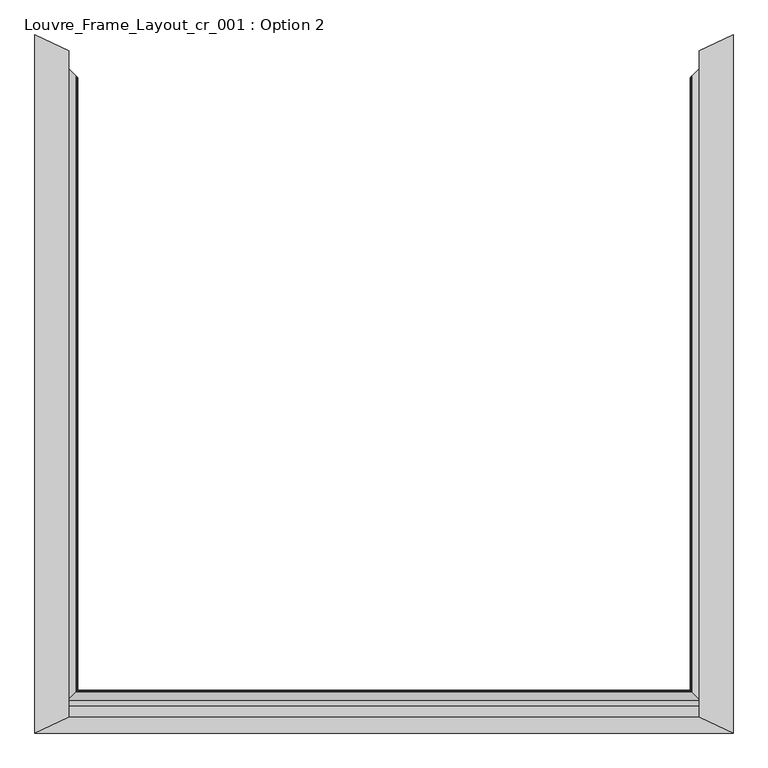
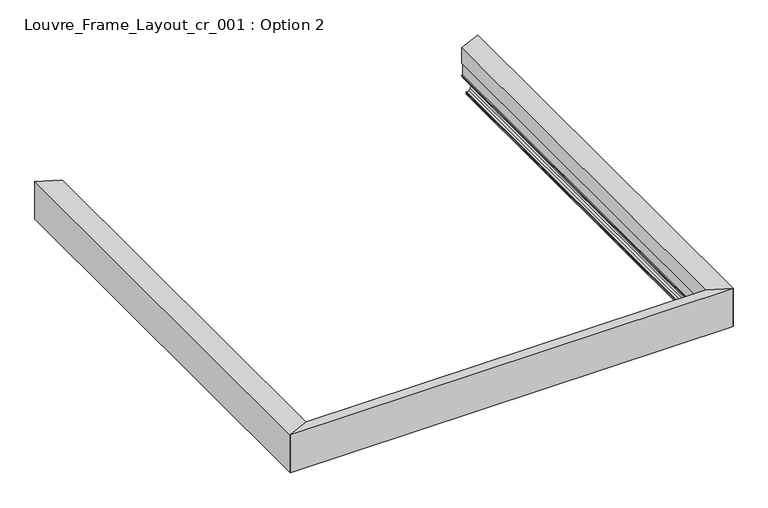
"""IFC4 building model written with IfcOpenShell, lengths in millimetres: proxy geometry, Louvre_Frame_Layout_cr_001 : Option 2."""

from ifc_helpers import new_model, si_unit, frame, origin, place, context, project, spatial, polyline, ellipse_curve, source, transform, mapped, element, save
from ifc_brep_helpers import plane_surface, cylinder_surface, revolved_surface, advanced_brep


def louvre_frame_layout_cr_001_option_2_b5c56db8(model_context):
    return source(origin(), model_context, "Body", "AdvancedBrep", [
        advanced_brep(
        [(3500.0, -1860.0, 40.0285881), (3354.7049082, -1714.7471297, 40.0285881), (3357.499356, -1717.5407655, 38.8575344), (3435.6421077, -1795.6608096, 38.8575344), (3437.2798539, -1797.2980799, 37.2197882), (3437.2798539, -1797.2980799, 30.0771301), (3448.0054103, -1808.0205195, 30.0771301), (3448.0054103, -1808.0205195, 7.0067374), (3443.0005687, -1803.0171323, 2.0018958), (3364.8199959, -1724.8592781, 2.0018958), (3336.794989, -1696.842415, 7.4266447), (3291.7291256, -1651.7896474, 25.5580129), (3291.7291256, -1651.7896474, 39.3616238), (3291.0621612, -1651.1228768, 40.0285881), (3285.4888339, -1645.5511691, 40.0285881), (3284.8218695, -1644.8843985, 39.3616238), (3284.8218695, -1644.8843985, 26.5150991), (3285.3886853, -1645.4510496, 25.9589183), (3349.8942843, -1709.9379038, 0.0), (3500.0, -1860.0, 0.0), (3500.0, -1860.0, 36.793065), (3354.7049082, 1494.7471297, 40.0285881), (3500.0, 1640.0, 40.0285881), (3500.0, 1640.0, 36.793065), (3500.0, 1640.0, 0.0), (3349.8942843, 1489.9379038, 0.0), (3285.3886853, 1425.4510496, 25.9589183), (3284.8218695, 1424.8843985, 26.5150991), (3284.8218695, 1424.8843985, 39.3616238), (3285.4888339, 1425.5511691, 40.0285881), (3291.0621612, 1431.1228768, 40.0285881), (3291.7291256, 1431.7896474, 39.3616238), (3291.7291256, 1431.7896474, 25.5580129), (3336.794989, 1476.842415, 7.4266447), (3364.8199959, 1504.8592781, 2.0018958), (3443.0005687, 1583.0171323, 2.0018958), (3448.0054103, 1588.0205195, 7.0067374), (3448.0054103, 1588.0205195, 30.0771301), (3437.2798539, 1577.2980799, 30.0771301), (3437.2798539, 1577.2980799, 37.2197882), (3435.6421077, 1575.6608096, 38.8575344), (3357.499356, 1497.5407655, 38.8575344), (3330.2950263, 1560.0512704, 186.2985422), (3330.2950263, 1560.0512704, 315.1230176), (3500.0, 1640.0, 315.1230176), (3354.7049082, 1571.5508688, 40.0285881), (3352.0673551, 1570.3083064, 42.7736155), (3330.3018549, 1560.0544873, 79.2796958), (3330.3018549, 1560.0544873, 88.3970766), (3336.7193678, 1563.0778048, 88.3970766), (3336.7193678, 1563.0778048, 186.2985422), (3354.7049082, -1791.5508688, 40.0285881), (3330.2950263, -1780.0512704, 186.2985422), (3330.2950263, -1780.0512704, 315.1230176), (3336.7193678, -1783.0778048, 186.2985422), (3336.7193678, -1783.0778048, 88.3970766), (3330.3018549, -1780.0544873, 88.3970766), (3330.3018549, -1780.0544873, 79.2796958), (3352.0673551, -1790.3083064, 42.7736155), (3500.0, -1860.0, 315.1230176)],
        [
            (0, 1),
            (1, 2, ellipse_curve(frame((3359.3065931, -1719.3474774, 47.0897633), z_axis=(-0.70700401906678, -0.7072095283743144, 0.0), x_axis=(0.7072095283743143, -0.70700401906678, 0.0)), 11.917639, 8.4282679)),
            (2, 3),
            (3, 4, ellipse_curve(frame((3435.6421077, -1795.6608096, 37.2197882), z_axis=(0.70700401906678, 0.7072095283743144, 0.0), x_axis=(-0.7072095283743143, 0.70700401906678, 0.0)), 2.3157864, 1.6377462)),
            (4, 5),
            (5, 6),
            (6, 7),
            (7, 8, ellipse_curve(frame((3443.0005687, -1803.0171323, 7.0067374), z_axis=(0.70700401906678, 0.7072095283743144, 0.0), x_axis=(-0.7072095283743143, 0.70700401906678, 0.0)), 7.0768866, 5.0048416)),
            (8, 9),
            (9, 10, ellipse_curve(frame((3364.8119854, -1724.85127, 77.0634267), z_axis=(0.70700401906678, 0.7072095283743144, 0.0), x_axis=(-0.7072095283743143, 0.70700401906678, 0.0)), 106.1376132, 75.0615314)),
            (10, 11),
            (11, 12),
            (12, 13, ellipse_curve(frame((3291.0621612, -1651.1228768, 39.3616238), z_axis=(-0.70700401906678, -0.7072095283743144, 0.0), x_axis=(0.7072095283743143, -0.70700401906678, 0.0)), 0.943093, 0.6669644)),
            (13, 14),
            (14, 15, ellipse_curve(frame((3285.4888339, -1645.5511691, 39.3616238), z_axis=(-0.70700401906678, -0.7072095283743144, 0.0), x_axis=(0.7072095283743143, -0.70700401906678, 0.0)), 0.943093, 0.6669644)),
            (15, 16),
            (16, 17, ellipse_curve(frame((3285.7754513, -1645.8377032, 26.9199973), z_axis=(-0.70700401906678, -0.7072095283743144, 0.0), x_axis=(0.7072095283743143, -0.70700401906678, 0.0)), 1.4648884, 1.035983)),
            (17, 18),
            (18, 19),
            (19, 20),
            (20, 0),
            (21, 22),
            (22, 23),
            (23, 24),
            (24, 25),
            (25, 26),
            (26, 27, ellipse_curve(frame((3285.7754513, 1425.8377032, 26.9199973), z_axis=(-0.7070040190647345, 0.7072095283763594, 0.0), x_axis=(-0.7072095283763595, -0.7070040190647343, 0.0)), 1.4648884, 1.035983)),
            (27, 28),
            (28, 29, ellipse_curve(frame((3285.4888339, 1425.5511691, 39.3616238), z_axis=(-0.7070040190647345, 0.7072095283763594, 0.0), x_axis=(-0.7072095283763595, -0.7070040190647343, 0.0)), 0.943093, 0.6669644)),
            (29, 30),
            (30, 31, ellipse_curve(frame((3291.0621612, 1431.1228768, 39.3616238), z_axis=(-0.7070040190647345, 0.7072095283763594, 0.0), x_axis=(-0.7072095283763595, -0.7070040190647343, 0.0)), 0.943093, 0.6669644)),
            (31, 32),
            (32, 33),
            (33, 34, ellipse_curve(frame((3364.8119854, 1504.85127, 77.0634267), z_axis=(0.7070040190647345, -0.7072095283763594, 0.0), x_axis=(0.7072095283763595, 0.7070040190647343, 0.0)), 106.1376132, 75.0615314)),
            (34, 35),
            (35, 36, ellipse_curve(frame((3443.0005687, 1583.0171323, 7.0067374), z_axis=(0.7070040190647345, -0.7072095283763594, 0.0), x_axis=(0.7072095283763595, 0.7070040190647343, 0.0)), 7.0768866, 5.0048416)),
            (36, 37),
            (37, 38),
            (38, 39),
            (39, 40, ellipse_curve(frame((3435.6421077, 1575.6608096, 37.2197882), z_axis=(0.7070040190647345, -0.7072095283763594, 0.0), x_axis=(0.7072095283763595, 0.7070040190647343, 0.0)), 2.3157864, 1.6377462)),
            (40, 41),
            (41, 21, ellipse_curve(frame((3359.3065931, 1499.3474775, 47.0897633), z_axis=(-0.7070040190647345, 0.7072095283763594, 0.0), x_axis=(-0.7072095283763595, -0.7070040190647343, 0.0)), 11.917639, 8.4282679)),
            (42, 43),
            (43, 44),
            (44, 22),
            (22, 45),
            (45, 46, ellipse_curve(frame((3359.3065931, 1573.718742, 47.0897633), z_axis=(-0.4261791510910806, 0.9046387849165467, 0.0), x_axis=(-0.9046387849165468, -0.42617915109108023, 0.0)), 9.3167218, 8.4282679)),
            (46, 47),
            (47, 48),
            (48, 49),
            (49, 50),
            (50, 42),
            (0, 51),
            (51, 1),
            (21, 45),
            (42, 52),
            (52, 53),
            (53, 43),
            (50, 54),
            (54, 52),
            (49, 55),
            (55, 54),
            (48, 56),
            (56, 55),
            (47, 57),
            (57, 56),
            (46, 58),
            (58, 57),
            (51, 58, ellipse_curve(frame((3359.3065931, -1793.718742, 47.0897633), z_axis=(0.42617915109110965, 0.9046387849165329, 0.0), x_axis=(0.9046387849165329, -0.4261791510911096, 0.0)), 9.3167218, 8.4282679)),
            (41, 2),
            (40, 3),
            (39, 4),
            (38, 5),
            (37, 6),
            (36, 7),
            (35, 8),
            (34, 9),
            (33, 10),
            (32, 11),
            (31, 12),
            (30, 13),
            (29, 14),
            (28, 15),
            (27, 16),
            (26, 17),
            (25, 18),
            (24, 19),
            (44, 59),
            (59, 0),
            (53, 59),
        ],
        [
            plane_surface(frame((3500.0, -1860.0, 40.0285881), z_axis=(-0.70700401906678, -0.7072095283743144, 0.0), x_axis=(0.0, 0.0, -1.0))),
            plane_surface(frame((3241.9060249, 1381.9810249, 40.0285881), z_axis=(-0.7070040190647345, 0.7072095283763594, 0.0), x_axis=(0.0, 0.0, -1.0))),
            plane_surface(frame((3330.2950263, 1560.0512704, 355.5911694), z_axis=(-0.4261791510910806, 0.9046387849165467, 0.0), x_axis=(0.0, 0.0, -1.0))),
            plane_surface(frame((3241.9060249, -1601.9810249, 40.0285881), z_axis=(0.0, 0.0, -1.0), x_axis=(0.0, -1.0, 0.0))),
            plane_surface(frame((3500.0, 1640.0, 40.0285881), z_axis=(0.0, 0.0, -1.0000000000000002), x_axis=(0.7072095283763594, 0.7070040190647345, 0.0))),
            plane_surface(frame((3330.2950263, -1860.0, 315.1230176), z_axis=(-1.0, 0.0, 0.0), x_axis=(0.0, 1.0, 0.0))),
            plane_surface(frame((3330.2950263, -1860.0, 186.2985422), z_axis=(0.0, 0.0, -1.0), x_axis=(0.0, 1.0, 0.0))),
            plane_surface(frame((3336.7193678, -1860.0, 186.2985422), z_axis=(-1.0, 0.0, 0.0), x_axis=(0.0, 1.0, 0.0))),
            plane_surface(frame((3336.7193678, -1860.0, 88.3970766), z_axis=(0.0, 0.0, 1.0), x_axis=(0.0, 1.0, 0.0))),
            plane_surface(frame((3330.3018549, -1860.0, 88.3970766), z_axis=(-1.0, 0.0, 0.0), x_axis=(0.0, 1.0, 0.0))),
            plane_surface(frame((3330.3018549, -1860.0, 79.2796958), z_axis=(-0.8589235852565517, 0.0, -0.5121037733604697), x_axis=(0.0, 1.0, 0.0))),
            cylinder_surface(frame((3359.3065931, -1860.0, 47.0897633), z_axis=(0.0, -1.0, 0.0), x_axis=(-1.0, 0.0, 0.0)), 8.4282679),
            plane_surface(frame((3357.499356, -1860.0, 38.8575344), z_axis=(0.0, 0.0, -1.0), x_axis=(0.0, 1.0, 0.0))),
            revolved_surface(polyline([(3434.0043615, 1577.2980798999997, 37.2197882), (3434.0043615, -1797.2980799, 37.2197882)]), (3435.6421077, -1860.0, 37.2197882), (0.0, 1.0, 0.0)),
            plane_surface(frame((3437.2798539, -1860.0, 37.2197882), z_axis=(-1.0, 0.0, 0.0), x_axis=(0.0, 1.0, 0.0))),
            plane_surface(frame((3437.2798539, -1860.0, 30.0771301), z_axis=(0.0, 0.0, -1.0), x_axis=(0.0, 1.0, 0.0))),
            plane_surface(frame((3448.0054103, -1860.0, 30.0771301), z_axis=(-1.0, 0.0, 0.0), x_axis=(0.0, 1.0, 0.0))),
            revolved_surface(polyline([(3437.9957271, 1588.0205195686653, 7.0067374), (3437.9957271, -1808.02051956868, 7.0067374)]), (3443.0005687, -1860.0, 7.0067374), (0.0, 1.0, 0.0)),
            plane_surface(frame((3443.0005687, -1860.0, 2.0018958), z_axis=(0.0, 0.0, 1.0), x_axis=(0.0, 1.0, 0.0))),
            revolved_surface(polyline([(3289.750454, 1579.890989106338, 77.0634267), (3289.750454, -1799.8909891065555, 77.0634267)]), (3364.8119854, -1860.0, 77.0634267), (0.0, 1.0, 0.0)),
            plane_surface(frame((3336.794989, -1860.0, 7.4266447), z_axis=(0.37325372835204107, 0.0, 0.9277293001039154), x_axis=(0.0, 1.0, 0.0))),
            plane_surface(frame((3291.7291256, -1860.0, 25.5580129), z_axis=(1.0, 0.0, 0.0), x_axis=(0.0, 1.0, 0.0))),
            cylinder_surface(frame((3291.0621612, -1860.0, 39.3616238), z_axis=(0.0, -1.0, 0.0), x_axis=(-1.0, 0.0, 0.0)), 0.6669644),
            plane_surface(frame((3291.0621612, -1860.0, 40.0285881), z_axis=(0.0, 0.0, 1.0), x_axis=(0.0, 1.0, 0.0))),
            cylinder_surface(frame((3285.4888339, -1860.0, 39.3616238), z_axis=(0.0, -1.0, 0.0), x_axis=(1.0, 0.0, 0.0)), 0.6669644),
            plane_surface(frame((3284.8218695, -1860.0, 39.3616238), z_axis=(-1.0, 0.0, 0.0), x_axis=(0.0, 1.0, 0.0))),
            cylinder_surface(frame((3285.7754513, -1860.0, 26.9199973), z_axis=(0.0, -1.0, 0.0), x_axis=(-1.0, 0.0, 0.0)), 1.035983),
            plane_surface(frame((3285.3886853, -1860.0, 25.9589183), z_axis=(-0.3733323631651337, 0.0, -0.9276976590536039), x_axis=(0.0, 1.0, 0.0))),
            plane_surface(frame((3349.8942843, -1860.0, 0.0), z_axis=(0.0, 0.0, -1.0), x_axis=(0.0, 1.0, 0.0))),
            plane_surface(frame((3500.0, -1860.0, 0.0), z_axis=(1.0, 0.0, 0.0), x_axis=(0.0, 1.0, 0.0))),
            plane_surface(frame((3500.0, -1860.0, 315.1230176), z_axis=(0.0, 0.0, 1.0), x_axis=(0.0, 1.0, 0.0))),
            plane_surface(frame((3500.0, -1860.0, 355.5911694), z_axis=(-0.42617915109110965, -0.9046387849165329, 0.0), x_axis=(0.0, 0.0, -1.0))),
        ],
        [
            (0, [[1, 2, 3, 4, 5, 6, 7, 8, 9, 10, 11, 12, 13, 14, 15, 16, 17, 18, 19, 20, 21]]),
            (1, [[22, 23, 24, 25, 26, 27, 28, 29, 30, 31, 32, 33, 34, 35, 36, 37, 38, 39, 40, 41, 42]]),
            (2, [[43, 44, 45, 46, 47, 48, 49, 50, 51, 52]]),
            (3, [[-1, 53, 54]]),
            (4, [[-22, 55, -46]]),
            (5, [[-43, 56, 57, 58]]),
            (6, [[-52, 59, 60, -56]]),
            (7, [[-51, 61, 62, -59]]),
            (8, [[-50, 63, 64, -61]]),
            (9, [[-49, 65, 66, -63]]),
            (10, [[-48, 67, 68, -65]]),
            (11, [[-2, -54, 69, -67, -47, -55, -42, 70]]),
            (12, [[-3, -70, -41, 71]]),
            (13, [[-4, -71, -40, 72]]),
            (14, [[-5, -72, -39, 73]]),
            (15, [[-6, -73, -38, 74]]),
            (16, [[-7, -74, -37, 75]]),
            (17, [[-8, -75, -36, 76]]),
            (18, [[-9, -76, -35, 77]]),
            (19, [[-10, -77, -34, 78]]),
            (20, [[-11, -78, -33, 79]]),
            (21, [[-12, -79, -32, 80]]),
            (22, [[-13, -80, -31, 81]]),
            (23, [[-14, -81, -30, 82]]),
            (24, [[-15, -82, -29, 83]]),
            (25, [[-16, -83, -28, 84]]),
            (26, [[-17, -84, -27, 85]]),
            (27, [[-18, -85, -26, 86]]),
            (28, [[87, -19, -86, -25]]),
            (29, [[-87, -24, -23, -45, 88, 89, -21, -20]]),
            (30, [[-88, -44, -58, 90]]),
            (31, [[-57, -60, -62, -64, -66, -68, -69, -53, -89, -90]]),
        ],
    ),
        advanced_brep(
        [(57.3003291, -1802.6996709, 38.7959832), (55.2974109, -1804.7025891, 36.793065), (52.5783381, -1807.4216619, 36.793065), (51.9945897, -1808.0054103, 36.2093165), (51.9945897, -1808.0054103, 7.0067374), (56.9994313, -1803.0005687, 2.0018958), (135.1800041, -1724.8199959, 2.0018958), (163.205011, -1696.794989, 7.4266447), (208.2708744, -1651.7291256, 25.5580129), (208.2708744, -1651.7291256, 39.3616238), (208.9378388, -1651.0621612, 40.0285881), (214.5111661, -1645.4888339, 40.0285881), (215.1781305, -1644.8218695, 39.3616238), (215.1781305, -1644.8218695, 26.1870213), (150.1057157, -1709.8942843, 0.0), (0.0, -1860.0, 0.0), (0.0, -1860.0, 38.8575344), (3444.7025891, -1804.7025891, 36.793065), (3442.6996709, -1802.6996709, 38.7959832), (3500.0, -1860.0, 38.8575344), (3500.0, -1860.0, 0.0), (3349.8942843, -1709.8942843, 0.0), (3284.8218695, -1644.8218695, 26.1870213), (3284.8218695, -1644.8218695, 39.3616238), (3285.4888339, -1645.4888339, 40.0285881), (3291.0621612, -1651.0621612, 40.0285881), (3291.7291256, -1651.7291256, 39.3616238), (3291.7291256, -1651.7291256, 25.5580129), (3336.794989, -1696.794989, 7.4266447), (3364.8199959, -1724.8199959, 2.0018958), (3443.0005687, -1803.0005687, 2.0018958), (3448.0054103, -1808.0054103, 7.0067374), (3448.0054103, -1808.0054103, 36.2093165), (3447.4216619, -1807.4216619, 36.793065), (3330.2950263, -1780.0512704, 316.6276048), (3330.2950263, -1780.0512704, 186.7535382), (169.7049737, -1780.0512704, 186.7535382), (169.7049737, -1780.0512704, 316.6276048), (3389.6325118, -1808.0054103, 186.7535382), (110.3674882, -1808.0054103, 186.7535382), (3389.6325118, -1808.0054103, 66.9467725), (110.3674882, -1808.0054103, 66.9467725), (3388.3114217, -1807.3830392, 66.3244014), (111.6885783, -1807.3830392, 66.3244014), (3382.6221378, -1804.7027935, 66.3244014), (117.3778622, -1804.7027935, 66.3244014), (3378.3701643, -1802.6996709, 64.3212787), (121.6298357, -1802.6996709, 64.3212787), (3378.3701643, -1802.6996709, 38.7959832), (121.6298357, -1802.6996709, 38.7959832), (3500.0, -1860.0, 40.0285881), (3500.0, -1860.0, 316.6276048), (0.0, -1860.0, 316.6276048), (0.0, -1860.0, 40.0285881)],
        [
            (0, 1, ellipse_curve(frame((55.2974109, -1804.7025891, 38.7959832), z_axis=(-0.7071067811864462, 0.7071067811866489, 0.0), x_axis=(-0.7071067811866488, -0.7071067811864462, 0.0)), 2.832554, 2.0029182)),
            (1, 2),
            (2, 3, ellipse_curve(frame((52.5783381, -1807.4216619, 36.2093165), z_axis=(0.7071067811864462, -0.7071067811866489, 0.0), x_axis=(0.7071067811866488, 0.7071067811864462, 0.0)), 0.825545, 0.5837485)),
            (3, 4),
            (4, 5, ellipse_curve(frame((56.9994313, -1803.0005687, 7.0067374), z_axis=(0.7071067811864462, -0.7071067811866489, 0.0), x_axis=(0.7071067811866488, 0.7071067811864462, 0.0)), 7.0779149, 5.0048416)),
            (5, 6),
            (6, 7, ellipse_curve(frame((135.1880146, -1724.8119854, 77.0634267), z_axis=(0.7071067811864462, -0.7071067811866489, 0.0), x_axis=(0.7071067811866488, 0.7071067811864462, 0.0)), 106.1530357, 75.0615314)),
            (7, 8),
            (8, 9),
            (9, 10, ellipse_curve(frame((208.9378388, -1651.0621612, 39.3616238), z_axis=(-0.7071067811864462, 0.7071067811866489, 0.0), x_axis=(-0.7071067811866488, -0.7071067811864462, 0.0)), 0.94323, 0.6669644)),
            (10, 11),
            (11, 12, ellipse_curve(frame((214.5111661, -1645.4888339, 39.3616238), z_axis=(-0.7071067811864462, 0.7071067811866489, 0.0), x_axis=(-0.7071067811866488, -0.7071067811864462, 0.0)), 0.94323, 0.6669644)),
            (12, 13),
            (13, 14),
            (14, 15),
            (15, 16),
            (16, 0),
            (17, 18, ellipse_curve(frame((3444.7025891, -1804.7025891, 38.7959832), z_axis=(0.7071067811866589, 0.7071067811864362, 0.0), x_axis=(-0.7071067811864361, 0.707106781186659, 0.0)), 2.832554, 2.0029182)),
            (18, 19),
            (19, 20),
            (20, 21),
            (21, 22),
            (22, 23),
            (23, 24, ellipse_curve(frame((3285.4888339, -1645.4888339, 39.3616238), z_axis=(0.7071067811866589, 0.7071067811864362, 0.0), x_axis=(-0.7071067811864361, 0.707106781186659, 0.0)), 0.94323, 0.6669644)),
            (24, 25),
            (25, 26, ellipse_curve(frame((3291.0621612, -1651.0621612, 39.3616238), z_axis=(0.7071067811866589, 0.7071067811864362, 0.0), x_axis=(-0.7071067811864361, 0.707106781186659, 0.0)), 0.94323, 0.6669644)),
            (26, 27),
            (27, 28),
            (28, 29, ellipse_curve(frame((3364.8119854, -1724.8119854, 77.0634267), z_axis=(-0.7071067811866589, -0.7071067811864362, 0.0), x_axis=(0.7071067811864361, -0.707106781186659, 0.0)), 106.1530357, 75.0615314)),
            (29, 30),
            (30, 31, ellipse_curve(frame((3443.0005687, -1803.0005687, 7.0067374), z_axis=(-0.7071067811866589, -0.7071067811864362, 0.0), x_axis=(0.7071067811864361, -0.707106781186659, 0.0)), 7.0779149, 5.0048416)),
            (31, 32),
            (32, 33, ellipse_curve(frame((3447.4216619, -1807.4216619, 36.2093165), z_axis=(-0.7071067811866589, -0.7071067811864362, 0.0), x_axis=(0.7071067811864361, -0.707106781186659, 0.0)), 0.825545, 0.5837485)),
            (33, 17),
            (34, 35),
            (35, 36),
            (36, 37),
            (37, 34),
            (35, 38),
            (38, 39),
            (39, 36),
            (38, 40),
            (40, 41),
            (41, 39),
            (40, 42, ellipse_curve(frame((3388.3114217, -1807.3830392, 66.9467725), z_axis=(0.42617915109109655, 0.9046387849165392, 0.0), x_axis=(0.9046387849165392, -0.4261791510910966, 0.0)), 1.460351, 0.6223711)),
            (42, 43),
            (43, 41, ellipse_curve(frame((111.6885783, -1807.3830392, 66.9467725), z_axis=(-0.42617915109134613, 0.9046387849164216, 0.0), x_axis=(0.9046387849164216, 0.4261791510913462, 0.0)), 1.460351, 0.6223711)),
            (42, 44),
            (44, 45),
            (45, 43),
            (44, 46, ellipse_curve(frame((3382.6221378, -1804.7027935, 64.3212787), z_axis=(-0.42617915109109655, -0.9046387849165392, 0.0), x_axis=(-0.9046387849165392, 0.4261791510910966, 0.0)), 4.7001892, 2.0031227)),
            (46, 47),
            (47, 45, ellipse_curve(frame((117.3778622, -1804.7027935, 64.3212787), z_axis=(0.42617915109134613, -0.9046387849164216, 0.0), x_axis=(-0.9046387849164216, -0.4261791510913462, 0.0)), 4.7001892, 2.0031227)),
            (46, 48),
            (48, 49),
            (49, 47),
            (0, 49),
            (48, 18),
            (17, 1),
            (33, 2),
            (32, 3),
            (31, 4),
            (30, 5),
            (29, 6),
            (28, 7),
            (27, 8),
            (26, 9),
            (25, 10),
            (24, 11),
            (23, 12),
            (22, 13),
            (21, 14),
            (20, 15),
            (19, 50),
            (50, 51),
            (51, 52),
            (52, 53),
            (53, 16),
            (51, 34),
            (37, 52),
            (48, 19),
            (16, 49),
        ],
        [
            plane_surface(frame((0.0, -1860.0, 40.0285881), z_axis=(-0.7071067811864462, 0.7071067811866489, 0.0), x_axis=(0.0, 0.0, -1.0))),
            plane_surface(frame((3241.9060249, -1601.9060249, 40.0285881), z_axis=(0.7071067811866589, 0.7071067811864362, 0.0), x_axis=(0.0, 0.0, -1.0))),
            plane_surface(frame((0.0, -1780.0512704, 316.6276048), z_axis=(0.0, 1.0, 0.0), x_axis=(1.0, 0.0, 0.0))),
            plane_surface(frame((0.0, -1780.0512704, 186.7535382), z_axis=(0.0, 0.0, -1.0), x_axis=(1.0, 0.0, 0.0))),
            plane_surface(frame((0.0, -1808.0054103, 186.7535382), z_axis=(0.0, 1.0, 0.0), x_axis=(1.0, 0.0, 0.0))),
            revolved_surface(polyline([(3389.6325118541918, -1806.7606681, 66.9467725), (110.36748814580852, -1806.7606681, 66.9467725)]), (0.0, -1807.3830392, 66.9467725), (1.0, 0.0, 0.0)),
            plane_surface(frame((0.0, -1807.3830392, 66.3244014), z_axis=(0.0, 0.0, 1.0), x_axis=(1.0, 0.0, 0.0))),
            cylinder_surface(frame((0.0, -1804.7027935, 64.3212787), z_axis=(-1.0, 0.0, 0.0), x_axis=(0.0, 1.0, 0.0)), 2.0031227),
            plane_surface(frame((0.0, -1802.6996709, 64.3212787), z_axis=(0.0, 1.0, 0.0), x_axis=(1.0, 0.0, 0.0))),
            cylinder_surface(frame((0.0, -1804.7025891, 38.7959832), z_axis=(-1.0, 0.0, 0.0), x_axis=(0.0, 1.0, 0.0)), 2.0029182),
            plane_surface(frame((0.0, -1804.7025891, 36.793065), z_axis=(0.0, 0.0, -1.0), x_axis=(1.0, 0.0, 0.0))),
            revolved_surface(polyline([(3448.0054103676744, -1806.8379134, 36.2093165), (51.99458963232527, -1806.8379134, 36.2093165)]), (0.0, -1807.4216619, 36.2093165), (1.0, 0.0, 0.0)),
            plane_surface(frame((0.0, -1808.0054103, 36.2093165), z_axis=(0.0, 1.0, 0.0), x_axis=(1.0, 0.0, 0.0))),
            revolved_surface(polyline([(3448.00541032245, -1797.9957271, 7.0067374), (51.99458967754798, -1797.9957271, 7.0067374)]), (0.0, -1803.0005687, 7.0067374), (1.0, 0.0, 0.0)),
            plane_surface(frame((0.0, -1803.0005687, 2.0018958), z_axis=(0.0, 0.0, 1.0), x_axis=(1.0, 0.0, 0.0))),
            revolved_surface(polyline([(3439.873516786996, -1649.750454, 77.0634267), (60.12648321298158, -1649.750454, 77.0634267)]), (0.0, -1724.8119854, 77.0634267), (1.0, 0.0, 0.0)),
            plane_surface(frame((0.0, -1696.794989, 7.4266447), z_axis=(0.0, -0.37325372835204085, 0.9277293001039155), x_axis=(1.0, 0.0, 0.0))),
            plane_surface(frame((0.0, -1651.7291256, 25.5580129), z_axis=(0.0, -1.0, 0.0), x_axis=(1.0, 0.0, 0.0))),
            cylinder_surface(frame((0.0, -1651.0621612, 39.3616238), z_axis=(-1.0, 0.0, 0.0), x_axis=(0.0, 1.0, 0.0)), 0.6669644),
            plane_surface(frame((0.0, -1651.0621612, 40.0285881), z_axis=(0.0, 0.0, 1.0), x_axis=(1.0, 0.0, 0.0))),
            cylinder_surface(frame((0.0, -1645.4888339, 39.3616238), z_axis=(-1.0, 0.0, 0.0), x_axis=(0.0, -1.0, 0.0)), 0.6669644),
            plane_surface(frame((0.0, -1644.8218695, 39.3616238), z_axis=(0.0, 1.0, 0.0), x_axis=(1.0, 0.0, 0.0))),
            plane_surface(frame((0.0, -1644.8218695, 26.1870213), z_axis=(0.0, 0.3733323631651337, -0.927697659053604), x_axis=(1.0, 0.0, 0.0))),
            plane_surface(frame((0.0, -1709.8942843, 0.0), z_axis=(0.0, 0.0, -1.0), x_axis=(1.0, 0.0, 0.0))),
            plane_surface(frame((0.0, -1860.0, 0.0), z_axis=(0.0, -1.0, 0.0), x_axis=(1.0, 0.0, 0.0))),
            plane_surface(frame((0.0, -1860.0, 316.6276048), z_axis=(0.0, 0.0, 1.0), x_axis=(1.0, 0.0, 0.0))),
            plane_surface(frame((3500.0, -1860.0, 38.8575344), z_axis=(0.0, 0.0, 1.0), x_axis=(-0.9046387849165392, 0.42617915109109655, 0.0))),
            plane_surface(frame((3330.2950263, -1780.0512704, 398.4370867), z_axis=(0.42617915109109655, 0.9046387849165392, 0.0), x_axis=(0.0, 0.0, -1.0))),
            plane_surface(frame((0.0, -1780.0512704, 38.8575344), z_axis=(0.0, 0.0, 1.0), x_axis=(1.0, 0.0, 0.0))),
            plane_surface(frame((0.0, -1860.0, 398.4370867), z_axis=(-0.42617915109134613, 0.9046387849164216, 0.0), x_axis=(0.0, 0.0, -1.0))),
        ],
        [
            (0, [[1, 2, 3, 4, 5, 6, 7, 8, 9, 10, 11, 12, 13, 14, 15, 16, 17]]),
            (1, [[18, 19, 20, 21, 22, 23, 24, 25, 26, 27, 28, 29, 30, 31, 32, 33, 34]]),
            (2, [[35, 36, 37, 38]]),
            (3, [[39, 40, 41, -36]]),
            (4, [[42, 43, 44, -40]]),
            (5, [[45, 46, 47, -43]]),
            (6, [[48, 49, 50, -46]]),
            (7, [[51, 52, 53, -49]]),
            (8, [[54, 55, 56, -52]]),
            (9, [[-1, 57, -55, 58, -18, 59]]),
            (10, [[-2, -59, -34, 60]]),
            (11, [[-3, -60, -33, 61]]),
            (12, [[-4, -61, -32, 62]]),
            (13, [[-5, -62, -31, 63]]),
            (14, [[-6, -63, -30, 64]]),
            (15, [[-7, -64, -29, 65]]),
            (16, [[-8, -65, -28, 66]]),
            (17, [[-9, -66, -27, 67]]),
            (18, [[-10, -67, -26, 68]]),
            (19, [[-11, -68, -25, 69]]),
            (20, [[-12, -69, -24, 70]]),
            (21, [[-13, -70, -23, 71]]),
            (22, [[-14, -71, -22, 72]]),
            (23, [[73, -15, -72, -21]]),
            (24, [[-73, -20, 74, 75, 76, 77, 78, -16]]),
            (25, [[-76, 79, -38, 80]]),
            (26, [[81, -19, -58]]),
            (27, [[-81, -54, -51, -48, -45, -42, -39, -35, -79, -75, -74]]),
            (28, [[82, -57, -17]]),
            (29, [[-82, -78, -77, -80, -37, -41, -44, -47, -50, -53, -56]]),
        ],
    ),
        advanced_brep(
        [(145.2950918, -1714.7049082, 40.0285881), (0.0, -1860.0, 40.0285881), (0.0, -1860.0, 36.793065), (0.0, -1860.0, 0.0), (150.1057157, -1709.8942843, 0.0), (214.6113147, -1645.3886853, 25.9589183), (215.1781305, -1644.8218695, 26.5150991), (215.1781305, -1644.8218695, 39.3616238), (214.5111661, -1645.4888339, 40.0285881), (208.9378388, -1651.0621612, 40.0285881), (208.2708744, -1651.7291256, 39.3616238), (208.2708744, -1651.7291256, 25.5580129), (163.205011, -1696.794989, 7.4266447), (135.1800041, -1724.8199959, 2.0018958), (56.9994313, -1803.0005687, 2.0018958), (51.9945897, -1808.0054103, 7.0067374), (51.9945897, -1808.0054103, 30.0771301), (62.7201461, -1797.2798539, 30.0771301), (62.7201461, -1797.2798539, 37.2197882), (64.3578923, -1795.6421077, 38.8575344), (142.500644, -1717.499356, 38.8575344), (0.0, 1640.0, 40.0285881), (145.2950918, 1494.7471297, 40.0285881), (142.500644, 1497.5407655, 38.8575344), (64.3578923, 1575.6608096, 38.8575344), (62.7201461, 1577.2980799, 37.2197882), (62.7201461, 1577.2980799, 30.0771301), (51.9945897, 1588.0205195, 30.0771301), (51.9945897, 1588.0205195, 7.0067374), (56.9994313, 1583.0171323, 2.0018958), (135.1800041, 1504.8592781, 2.0018958), (163.205011, 1476.842415, 7.4266447), (208.2708744, 1431.7896474, 25.5580129), (208.2708744, 1431.7896474, 39.3616238), (208.9378388, 1431.1228768, 40.0285881), (214.5111661, 1425.5511691, 40.0285881), (215.1781305, 1424.8843985, 39.3616238), (215.1781305, 1424.8843985, 26.5150991), (214.6113147, 1425.4510496, 25.9589183), (150.1057157, 1489.9379038, 0.0), (0.0, 1640.0, 0.0), (0.0, 1640.0, 36.793065), (145.2950918, -1791.5508688, 40.0285881), (145.2950918, 1571.5508688, 40.0285881), (0.0, 1640.0, 315.1230176), (0.0, -1860.0, 315.1230176), (169.7049737, -1780.0512704, 315.1230176), (169.7049737, 1560.0512704, 315.1230176), (147.9326449, 1570.3083064, 42.7736155), (147.9326449, -1790.3083064, 42.7736155), (169.6981451, -1780.0544873, 79.2796958), (169.6981451, 1560.0544873, 79.2796958), (169.6981451, -1780.0544873, 88.3970766), (169.6981451, 1560.0544873, 88.3970766), (163.2806322, -1783.0778048, 88.3970766), (163.2806322, 1563.0778048, 88.3970766), (163.2806322, -1783.0778048, 186.2985422), (163.2806322, 1563.0778048, 186.2985422), (169.7049737, -1780.0512704, 186.2985422), (169.7049737, 1560.0512704, 186.2985422)],
        [
            (0, 1),
            (1, 2),
            (2, 3),
            (3, 4),
            (4, 5),
            (5, 6, ellipse_curve(frame((214.2245487, -1645.7754513, 26.9199973), z_axis=(0.707106781186508, -0.707106781186587, 0.0), x_axis=(-0.707106781186587, -0.707106781186508, 0.0)), 1.4651013, 1.035983)),
            (6, 7),
            (7, 8, ellipse_curve(frame((214.5111661, -1645.4888339, 39.3616238), z_axis=(0.707106781186508, -0.707106781186587, 0.0), x_axis=(-0.707106781186587, -0.707106781186508, 0.0)), 0.94323, 0.6669644)),
            (8, 9),
            (9, 10, ellipse_curve(frame((208.9378388, -1651.0621612, 39.3616238), z_axis=(0.707106781186508, -0.707106781186587, 0.0), x_axis=(-0.707106781186587, -0.707106781186508, 0.0)), 0.94323, 0.6669644)),
            (10, 11),
            (11, 12),
            (12, 13, ellipse_curve(frame((135.1880146, -1724.8119854, 77.0634267), z_axis=(-0.707106781186508, 0.707106781186587, 0.0), x_axis=(0.707106781186587, 0.707106781186508, 0.0)), 106.1530357, 75.0615314)),
            (13, 14),
            (14, 15, ellipse_curve(frame((56.9994313, -1803.0005687, 7.0067374), z_axis=(-0.707106781186508, 0.707106781186587, 0.0), x_axis=(0.707106781186587, 0.707106781186508, 0.0)), 7.0779149, 5.0048416)),
            (15, 16),
            (16, 17),
            (17, 18),
            (18, 19, ellipse_curve(frame((64.3578923, -1795.6421077, 37.2197882), z_axis=(-0.707106781186508, 0.707106781186587, 0.0), x_axis=(0.707106781186587, 0.707106781186508, 0.0)), 2.3161229, 1.6377462)),
            (19, 20),
            (20, 0, ellipse_curve(frame((140.6934069, -1719.3065931, 47.0897633), z_axis=(0.707106781186508, -0.707106781186587, 0.0), x_axis=(-0.707106781186587, -0.707106781186508, 0.0)), 11.9193707, 8.4282679)),
            (21, 22),
            (22, 23, ellipse_curve(frame((140.6934069, 1499.3474774, 47.0897633), z_axis=(0.7070040190783584, 0.7072095283627394, 0.0), x_axis=(0.7072095283627394, -0.7070040190783583, 0.0)), 11.917639, 8.4282679)),
            (23, 24),
            (24, 25, ellipse_curve(frame((64.3578923, 1575.6608096, 37.2197882), z_axis=(-0.7070040190783584, -0.7072095283627394, 0.0), x_axis=(-0.7072095283627394, 0.7070040190783583, 0.0)), 2.3157864, 1.6377462)),
            (25, 26),
            (26, 27),
            (27, 28),
            (28, 29, ellipse_curve(frame((56.9994313, 1583.0171323, 7.0067374), z_axis=(-0.7070040190783584, -0.7072095283627394, 0.0), x_axis=(-0.7072095283627394, 0.7070040190783583, 0.0)), 7.0768866, 5.0048416)),
            (29, 30),
            (30, 31, ellipse_curve(frame((135.1880146, 1504.85127, 77.0634267), z_axis=(-0.7070040190783584, -0.7072095283627394, 0.0), x_axis=(-0.7072095283627394, 0.7070040190783583, 0.0)), 106.1376132, 75.0615314)),
            (31, 32),
            (32, 33),
            (33, 34, ellipse_curve(frame((208.9378388, 1431.1228768, 39.3616238), z_axis=(0.7070040190783584, 0.7072095283627394, 0.0), x_axis=(0.7072095283627394, -0.7070040190783583, 0.0)), 0.943093, 0.6669644)),
            (34, 35),
            (35, 36, ellipse_curve(frame((214.5111661, 1425.5511691, 39.3616238), z_axis=(0.7070040190783584, 0.7072095283627394, 0.0), x_axis=(0.7072095283627394, -0.7070040190783583, 0.0)), 0.943093, 0.6669644)),
            (36, 37),
            (37, 38, ellipse_curve(frame((214.2245487, 1425.8377032, 26.9199973), z_axis=(0.7070040190783584, 0.7072095283627394, 0.0), x_axis=(0.7072095283627394, -0.7070040190783583, 0.0)), 1.4648884, 1.035983)),
            (38, 39),
            (39, 40),
            (40, 41),
            (41, 21),
            (0, 42),
            (42, 1),
            (21, 43),
            (43, 22),
            (44, 45),
            (45, 46),
            (46, 47),
            (47, 44),
            (44, 21),
            (40, 3),
            (1, 45),
            (39, 4),
            (38, 5),
            (37, 6),
            (36, 7),
            (35, 8),
            (34, 9),
            (33, 10),
            (32, 11),
            (31, 12),
            (30, 13),
            (29, 14),
            (28, 15),
            (27, 16),
            (26, 17),
            (25, 18),
            (24, 19),
            (23, 20),
            (43, 48, ellipse_curve(frame((140.6934069, 1573.718742, 47.0897633), z_axis=(-0.42617915109127075, -0.9046387849164571, 0.0), x_axis=(0.9046387849164572, -0.4261791510912706, 0.0)), 9.3167218, 8.4282679)),
            (48, 49),
            (49, 42, ellipse_curve(frame((140.6934069, -1793.718742, 47.0897633), z_axis=(-0.42617915109133725, 0.9046387849164258, 0.0), x_axis=(-0.9046387849164259, -0.426179151091337, 0.0)), 9.3167218, 8.4282679)),
            (50, 49),
            (48, 51),
            (51, 50),
            (52, 50),
            (51, 53),
            (53, 52),
            (54, 52),
            (53, 55),
            (55, 54),
            (56, 54),
            (55, 57),
            (57, 56),
            (58, 56),
            (57, 59),
            (59, 58),
            (46, 58),
            (59, 47),
        ],
        [
            plane_surface(frame((215.1781305, -1644.8218695, 40.0285881), z_axis=(0.707106781186508, -0.707106781186587, 0.0), x_axis=(0.0, 0.0, -1.0))),
            plane_surface(frame((0.0, 1640.0, 40.0285881), z_axis=(0.7070040190783584, 0.7072095283627394, 0.0), x_axis=(0.0, 0.0, -1.0))),
            plane_surface(frame((0.0, -1860.0, 40.0285881), z_axis=(0.0, 0.0, -1.0), x_axis=(-0.707106781186587, -0.707106781186508, 0.0))),
            plane_surface(frame((258.0939751, 1381.9810249, 40.0285881), z_axis=(0.0, 0.0, -1.0), x_axis=(0.0, 1.0, 0.0))),
            plane_surface(frame((169.7049737, -1860.0, 315.1230176), z_axis=(0.0, 0.0, 1.0), x_axis=(0.0, 1.0, 0.0))),
            plane_surface(frame((0.0, -1860.0, 315.1230176), z_axis=(-1.0, 0.0, 0.0), x_axis=(0.0, 1.0, 0.0))),
            plane_surface(frame((0.0, -1860.0, 0.0), z_axis=(0.0, 0.0, -1.0), x_axis=(0.0, 1.0, 0.0))),
            plane_surface(frame((150.1057157, -1860.0, 0.0), z_axis=(0.3733323631651337, 0.0, -0.9276976590536039), x_axis=(0.0, 1.0, 0.0))),
            cylinder_surface(frame((214.2245487, -1860.0, 26.9199973), z_axis=(0.0, -1.0, 0.0), x_axis=(1.0, 0.0, 0.0)), 1.035983),
            plane_surface(frame((215.1781305, -1860.0, 26.5150991), z_axis=(1.0, 0.0, 0.0), x_axis=(0.0, 1.0, 0.0))),
            cylinder_surface(frame((214.5111661, -1860.0, 39.3616238), z_axis=(0.0, -1.0, 0.0), x_axis=(-1.0, 0.0, 0.0)), 0.6669644),
            plane_surface(frame((214.5111661, -1860.0, 40.0285881), z_axis=(0.0, 0.0, 1.0), x_axis=(0.0, 1.0, 0.0))),
            cylinder_surface(frame((208.9378388, -1860.0, 39.3616238), z_axis=(0.0, -1.0, 0.0), x_axis=(1.0, 0.0, 0.0)), 0.6669644),
            plane_surface(frame((208.2708744, -1860.0, 39.3616238), z_axis=(-1.0, 0.0, 0.0), x_axis=(0.0, 1.0, 0.0))),
            plane_surface(frame((208.2708744, -1860.0, 25.5580129), z_axis=(-0.37325372835204107, 0.0, 0.9277293001039154), x_axis=(0.0, 1.0, 0.0))),
            revolved_surface(polyline([(210.249546, 1579.8909891077842, 77.0634267), (210.249546, -1799.8735167870034, 77.0634267)]), (135.1880146, -1860.0, 77.0634267), (0.0, 1.0, 0.0)),
            plane_surface(frame((135.1800041, -1860.0, 2.0018958), z_axis=(0.0, 0.0, 1.0), x_axis=(0.0, 1.0, 0.0))),
            revolved_surface(polyline([(62.0042729, 1588.0205195687618, 7.0067374), (62.0042729, -1808.005410322451, 7.0067374)]), (56.9994313, -1860.0, 7.0067374), (0.0, 1.0, 0.0)),
            plane_surface(frame((51.9945897, -1860.0, 7.0067374), z_axis=(1.0, 0.0, 0.0), x_axis=(0.0, 1.0, 0.0))),
            plane_surface(frame((51.9945897, -1860.0, 30.0771301), z_axis=(0.0, 0.0, -1.0), x_axis=(0.0, 1.0, 0.0))),
            plane_surface(frame((62.7201461, -1860.0, 30.0771301), z_axis=(1.0, 0.0, 0.0), x_axis=(0.0, 1.0, 0.0))),
            revolved_surface(polyline([(65.9956385, 1577.2980798999997, 37.2197882), (65.9956385, -1797.2798539086514, 37.2197882)]), (64.3578923, -1860.0, 37.2197882), (0.0, 1.0, 0.0)),
            plane_surface(frame((64.3578923, -1860.0, 38.8575344), z_axis=(0.0, 0.0, -1.0), x_axis=(0.0, 1.0, 0.0))),
            cylinder_surface(frame((140.6934069, -1860.0, 47.0897633), z_axis=(0.0, -1.0, 0.0), x_axis=(1.0, 0.0, 0.0)), 8.4282679),
            plane_surface(frame((147.9326449, -1860.0, 42.7736155), z_axis=(0.8589235852565517, 0.0, -0.5121037733604697), x_axis=(0.0, 1.0, 0.0))),
            plane_surface(frame((169.6981451, -1860.0, 79.2796958), z_axis=(1.0, 0.0, 0.0), x_axis=(0.0, 1.0, 0.0))),
            plane_surface(frame((169.6981451, -1860.0, 88.3970766), z_axis=(0.0, 0.0, 1.0), x_axis=(0.0, 1.0, 0.0))),
            plane_surface(frame((163.2806322, -1860.0, 88.3970766), z_axis=(1.0, 0.0, 0.0), x_axis=(0.0, 1.0, 0.0))),
            plane_surface(frame((163.2806322, -1860.0, 186.2985422), z_axis=(0.0, 0.0, -1.0), x_axis=(0.0, 1.0, 0.0))),
            plane_surface(frame((169.7049737, -1860.0, 186.2985422), z_axis=(1.0, 0.0, 0.0), x_axis=(0.0, 1.0, 0.0))),
            plane_surface(frame((169.7049737, -1780.0512704, 355.5911694), z_axis=(0.42617915109133725, -0.9046387849164258, 0.0), x_axis=(0.0, 0.0, -1.0))),
            plane_surface(frame((0.0, 1640.0, 355.5911694), z_axis=(0.42617915109127075, 0.9046387849164571, 0.0), x_axis=(0.0, 0.0, -1.0))),
        ],
        [
            (0, [[1, 2, 3, 4, 5, 6, 7, 8, 9, 10, 11, 12, 13, 14, 15, 16, 17, 18, 19, 20, 21]]),
            (1, [[22, 23, 24, 25, 26, 27, 28, 29, 30, 31, 32, 33, 34, 35, 36, 37, 38, 39, 40, 41, 42]]),
            (2, [[-1, 43, 44]]),
            (3, [[-22, 45, 46]]),
            (4, [[47, 48, 49, 50]]),
            (5, [[-47, 51, -42, -41, 52, -3, -2, 53]]),
            (6, [[-52, -40, 54, -4]]),
            (7, [[-5, -54, -39, 55]]),
            (8, [[-6, -55, -38, 56]]),
            (9, [[-7, -56, -37, 57]]),
            (10, [[-8, -57, -36, 58]]),
            (11, [[-9, -58, -35, 59]]),
            (12, [[-10, -59, -34, 60]]),
            (13, [[-11, -60, -33, 61]]),
            (14, [[-12, -61, -32, 62]]),
            (15, [[-13, -62, -31, 63]]),
            (16, [[-14, -63, -30, 64]]),
            (17, [[-15, -64, -29, 65]]),
            (18, [[-16, -65, -28, 66]]),
            (19, [[-17, -66, -27, 67]]),
            (20, [[-18, -67, -26, 68]]),
            (21, [[-19, -68, -25, 69]]),
            (22, [[-20, -69, -24, 70]]),
            (23, [[-21, -70, -23, -46, 71, 72, 73, -43]]),
            (24, [[74, -72, 75, 76]]),
            (25, [[77, -76, 78, 79]]),
            (26, [[80, -79, 81, 82]]),
            (27, [[83, -82, 84, 85]]),
            (28, [[86, -85, 87, 88]]),
            (29, [[89, -88, 90, -49]]),
            (30, [[-48, -53, -44, -73, -74, -77, -80, -83, -86, -89]]),
            (31, [[-50, -90, -87, -84, -81, -78, -75, -71, -45, -51]]),
        ],
    ),
    ])


if __name__ == "__main__":
    model = new_model("IFC4")
    model_context = context("Model", 3, world=origin())
    ifc_project = project(units=[si_unit("LENGTHUNIT", "METRE", prefix="MILLI")], contexts=[model_context])
    site = spatial("IfcSite", under=ifc_project)
    building = spatial("IfcBuilding", under=site)
    placement = place(None, origin())
    louvre_frame_layout_cr_001_option_2_shape = louvre_frame_layout_cr_001_option_2_b5c56db8(model_context)
    element("IfcBuildingElementProxy", 1, Name="Louvre_Frame_Layout_cr_001 : Option 2", ObjectType="Louvre_Frame_Layout_cr_001 : Option 2", at=placement, inside=building, context=model_context, shape_type="MappedRepresentation", body=[
        mapped(louvre_frame_layout_cr_001_option_2_shape, transform((0.0, 0.0, 0.0), x_axis=(1.0, 0.0, 0.0), y_axis=(0.0, 1.0, 0.0), z_axis=(0.0, 0.0, 1.0))),
    ])
    save(model, "model.ifc")
